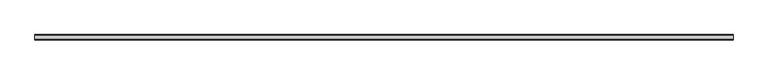
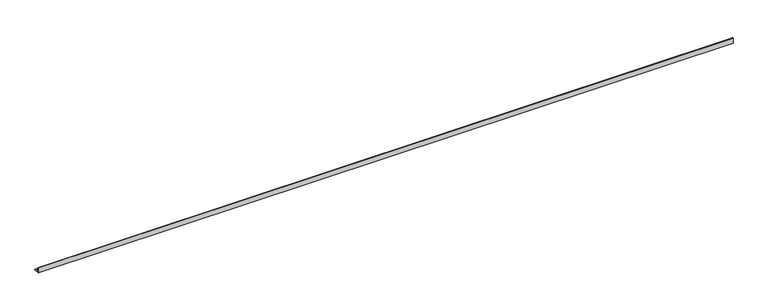
"""IFC4 building model written with IfcOpenShell, lengths in millimetres: beam geometry."""

from ifc_helpers import new_model, si_unit, point, frame, frame_2d, origin, place, context, project, spatial, polyline, circle_curve, trimmed, segment, composite_curve, outline, extrude, source, transform, mapped, element, save


def beam_4d5e3912(model_context):
    return source(origin(), model_context, "Body", "SweptSolid", [
        extrude(outline(composite_curve([segment(polyline([(-21.3, -21.3), (-21.3, 53.7), (-18.3, 53.7)]), True, "CONTINUOUS"), segment(trimmed(circle_curve(frame_2d((-18.3, 48.7)), 5.0), [point((-18.3, 53.7))], [point((-13.3, 48.7))], False, "CARTESIAN"), True, "CONTINUOUS"), segment(polyline([(-13.3, 48.7), (-13.3, -5.3)]), True, "CONTINUOUS"), segment(trimmed(circle_curve(frame_2d((-5.3, -5.3)), 8.0), [point((-13.3, -5.3))], [point((-5.3, -13.3))], True, "CARTESIAN"), True, "CONTINUOUS"), segment(polyline([(-5.3, -13.3), (48.7, -13.3)]), True, "CONTINUOUS"), segment(trimmed(circle_curve(frame_2d((48.7, -18.3)), 5.0), [point((48.7, -13.3))], [point((53.7, -18.3))], False, "CARTESIAN"), True, "CONTINUOUS"), segment(polyline([(53.7, -18.3), (53.7, -21.3), (-21.3, -21.3)]), True, "CONTINUOUS")], self_intersect=False)), frame((-4627.5, 0.0, 0.0), z_axis=(1.0, 0.0, 0.0), x_axis=(0.0, 1.0, 0.0)), (0.0, 0.0, 1.0), 9436.0),
    ])


if __name__ == "__main__":
    model = new_model("IFC4")
    model_context = context("Model", 3, world=origin())
    ifc_project = project(units=[si_unit("LENGTHUNIT", "METRE", prefix="MILLI")], contexts=[model_context])
    site = spatial("IfcSite", under=ifc_project)
    building = spatial("IfcBuilding", under=site)
    placement = place(None, origin())
    beam_shape = beam_4d5e3912(model_context)
    element("IfcBeam", 1, at=placement, inside=building, context=model_context, shape_type="MappedRepresentation", body=[
        mapped(beam_shape, transform((0.0, 0.0, 0.0), x_axis=(1.0, 0.0, 0.0), y_axis=(0.0, 1.0, 0.0), z_axis=(0.0, 0.0, 1.0))),
    ])
    save(model, "model.ifc")
